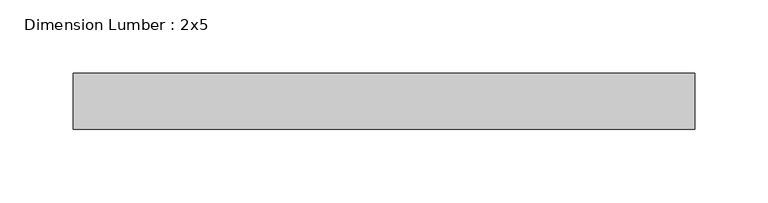
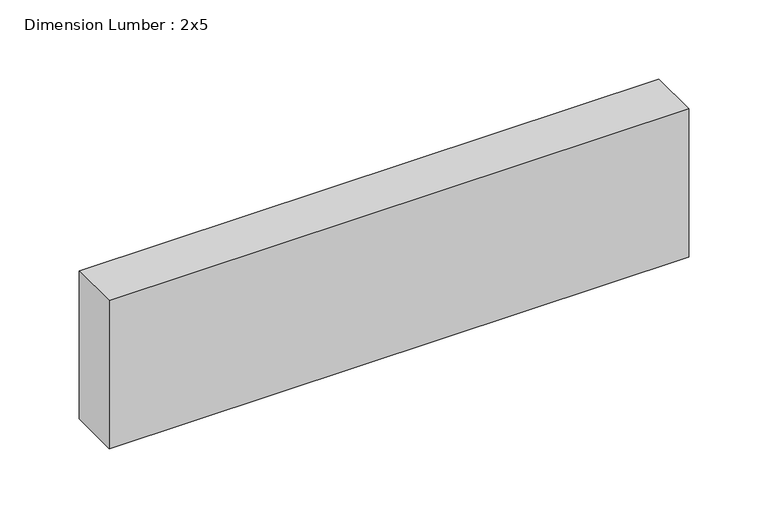
"""IFC4 building model written with IfcOpenShell, lengths in millimetres: beam geometry, Dimension Lumber : 2x5."""

from ifc_helpers import new_model, si_unit, frame, origin, place, context, project, spatial, polyline, outline, extrude, source, transform, mapped, element, save


def dimension_lumber_2x5_a833dca1(model_context):
    return source(origin(), model_context, "Body", "SweptSolid", [
        extrude(outline(polyline([(210.603096, 19.05), (210.603096, -19.05), (-212.7848728, -19.05), (-212.7848728, 19.05), (210.603096, 19.05)])), frame((0.0, 0.0, -57.15), z_axis=(0.0, 0.0, 1.0), x_axis=(1.0, 0.0, 0.0)), (0.0, 0.0, 1.0), 114.3),
    ])


if __name__ == "__main__":
    model = new_model("IFC4")
    model_context = context("Model", 3, world=origin())
    ifc_project = project(units=[si_unit("LENGTHUNIT", "METRE", prefix="MILLI")], contexts=[model_context])
    site = spatial("IfcSite", under=ifc_project)
    building = spatial("IfcBuilding", under=site)
    placement = place(None, origin())
    dimension_lumber_2x5_shape = dimension_lumber_2x5_a833dca1(model_context)
    element("IfcBeam", 1, ObjectType="Dimension Lumber : 2x5", at=placement, inside=building, context=model_context, shape_type="MappedRepresentation", body=[
        mapped(dimension_lumber_2x5_shape, transform((0.0, 0.0, 0.0), x_axis=(1.0, 0.0, 0.0), y_axis=(0.0, 1.0, 0.0), z_axis=(0.0, 0.0, 1.0))),
    ])
    save(model, "model.ifc")
